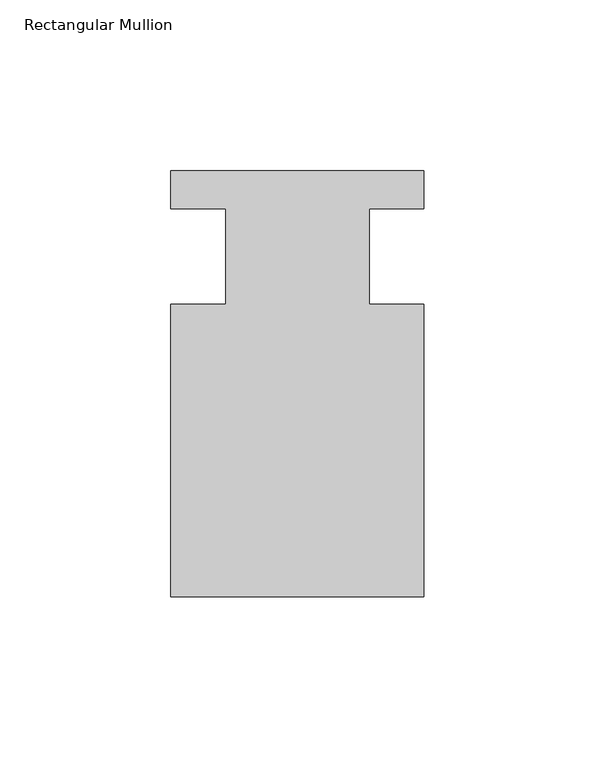
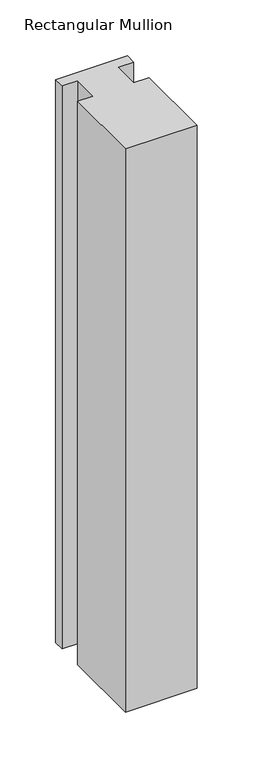
"""IFC4 building model written with IfcOpenShell, lengths in millimetres: member geometry, Rectangular Mullion."""

from ifc_helpers import new_model, si_unit, frame, origin, place, context, project, spatial, polyline, outline, extrude, source, transform, mapped, element, save


def rectangular_mullion_3c79d843(model_context):
    return source(origin(), model_context, "Body", "SweptSolid", [
        extrude(outline(polyline([(-20.9800745, -13.9998907), (-20.9800745, 14.0), (-37.0, 14.0), (-37.0, 25.0), (36.9800745, 25.0), (36.9800745, 14.0), (20.9800745, 14.0), (20.9800745, -13.9998907), (37.0, -13.9998907), (37.0, -99.5), (-37.0, -99.5), (-37.0, -13.9998907), (-20.9800745, -13.9998907)])), frame((0.0, 0.0, -614.5427132), z_axis=(0.0, 0.0, 1.0), x_axis=(1.0, 0.0, 0.0)), (0.0, 0.0, 1.0), 614.5427132),
    ])


if __name__ == "__main__":
    model = new_model("IFC4")
    model_context = context("Model", 3, world=origin())
    ifc_project = project(units=[si_unit("LENGTHUNIT", "METRE", prefix="MILLI")], contexts=[model_context])
    site = spatial("IfcSite", under=ifc_project)
    building = spatial("IfcBuilding", under=site)
    placement = place(None, origin())
    rectangular_mullion_shape = rectangular_mullion_3c79d843(model_context)
    element("IfcMember", 1, ObjectType="Rectangular Mullion", at=placement, inside=building, context=model_context, shape_type="MappedRepresentation", body=[
        mapped(rectangular_mullion_shape, transform((0.0, 0.0, 0.0), x_axis=(1.0, 0.0, 0.0), y_axis=(0.0, 1.0, 0.0), z_axis=(0.0, 0.0, 1.0))),
    ])
    save(model, "model.ifc")
